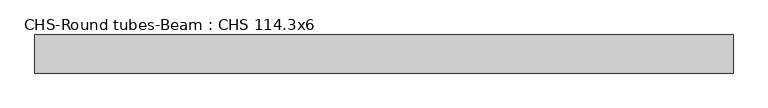
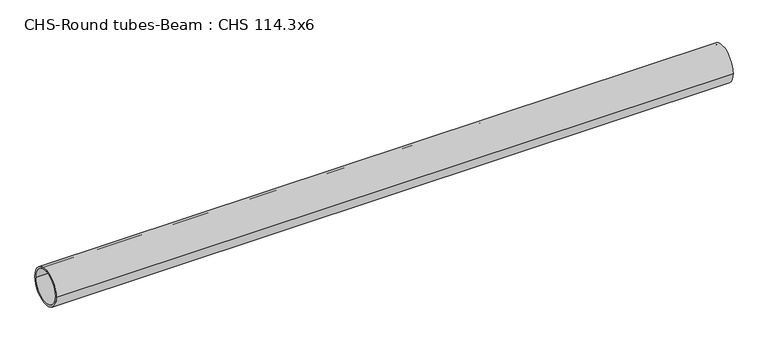
"""IFC4 building model written with IfcOpenShell, lengths in millimetres: beam geometry, CHS-Round tubes-Beam : CHS 114.3x6."""

from ifc_helpers import new_model, si_unit, point, frame, origin, origin_2d, place, context, project, spatial, circle_curve, trimmed, segment, composite_curve, outline, extrude, source, transform, mapped, element, save


def chs_round_tubes_beam_chs_114_3x6_df72307f(model_context):
    return source(origin(), model_context, "Body", "SweptSolid", [
        extrude(outline(composite_curve([segment(trimmed(circle_curve(origin_2d(), 57.15), [point((57.15, 0.0))], [point((-57.15, 0.0))], False, "CARTESIAN"), True, "CONTINUOUS"), segment(trimmed(circle_curve(origin_2d(), 57.15), [point((-57.15, 0.0))], [point((57.15, 0.0))], False, "CARTESIAN"), True, "CONTINUOUS")], self_intersect=False), holes=[composite_curve([segment(trimmed(circle_curve(origin_2d(), 51.15), [point((51.15, 0.0))], [point((-51.15, 0.0))], True, "CARTESIAN"), True, "CONTINUOUS"), segment(trimmed(circle_curve(origin_2d(), 51.15), [point((-51.15, 0.0))], [point((51.15, 0.0))], True, "CARTESIAN"), True, "CONTINUOUS")], self_intersect=False)]), frame((-1021.1874308, 0.0, 0.0), z_axis=(1.0, 0.0, 0.0), x_axis=(0.0, 1.0, 0.0)), (0.0, 0.0, 1.0), 2093.5091463),
    ])


if __name__ == "__main__":
    model = new_model("IFC4")
    model_context = context("Model", 3, world=origin())
    ifc_project = project(units=[si_unit("LENGTHUNIT", "METRE", prefix="MILLI")], contexts=[model_context])
    site = spatial("IfcSite", under=ifc_project)
    building = spatial("IfcBuilding", under=site)
    placement = place(None, origin())
    chs_round_tubes_beam_chs_114_3x6_shape = chs_round_tubes_beam_chs_114_3x6_df72307f(model_context)
    element("IfcBeam", 1, ObjectType="CHS-Round tubes-Beam : CHS 114.3x6", at=placement, inside=building, context=model_context, shape_type="MappedRepresentation", body=[
        mapped(chs_round_tubes_beam_chs_114_3x6_shape, transform((0.0, 0.0, 0.0), x_axis=(1.0, 0.0, 0.0), y_axis=(0.0, 1.0, 0.0), z_axis=(0.0, 0.0, 1.0))),
    ])
    save(model, "model.ifc")
